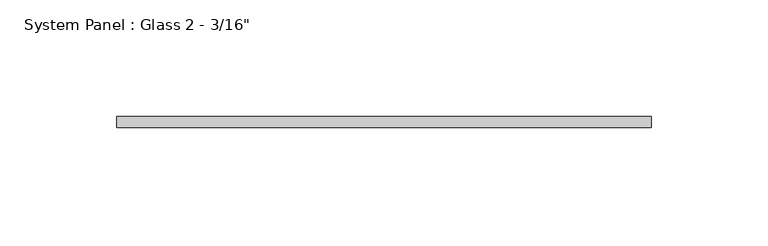
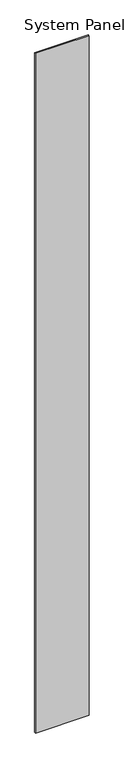
"""IFC4 building model written with IfcOpenShell, lengths in millimetres: plate geometry."""

from ifc_helpers import new_model, si_unit, origin, origin_with_axes, place, context, project, spatial, polyline, outline, extrude, source, transform, mapped, element, save


def plate_23ffa0bd(model_context):
    return source(origin(), model_context, "Body", "SweptSolid", [
        extrude(outline(polyline([(114.3, -11.1125), (-114.3, -11.1125), (-114.3, -6.35), (114.3, -6.35), (114.3, -11.1125)])), origin_with_axes(), (0.0, 0.0, 1.0), 3048.0),
    ])


if __name__ == "__main__":
    model = new_model("IFC4")
    model_context = context("Model", 3, world=origin())
    ifc_project = project(units=[si_unit("LENGTHUNIT", "METRE", prefix="MILLI")], contexts=[model_context])
    site = spatial("IfcSite", under=ifc_project)
    building = spatial("IfcBuilding", under=site)
    placement = place(None, origin())
    plate_shape = plate_23ffa0bd(model_context)
    element("IfcPlate", 1, ObjectType="System Panel : Glass 2 - 3/16\"", at=placement, inside=building, context=model_context, shape_type="MappedRepresentation", body=[
        mapped(plate_shape, transform((0.0, 0.0, 0.0), x_axis=(1.0, 0.0, 0.0), y_axis=(0.0, 1.0, 0.0), z_axis=(0.0, 0.0, 1.0))),
    ])
    save(model, "model.ifc")
